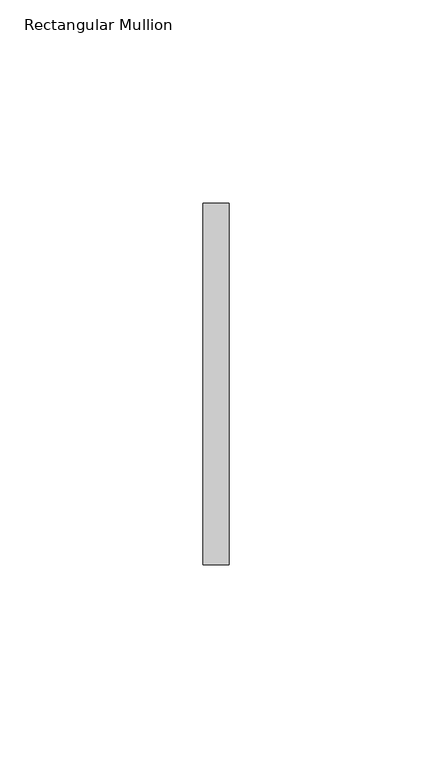
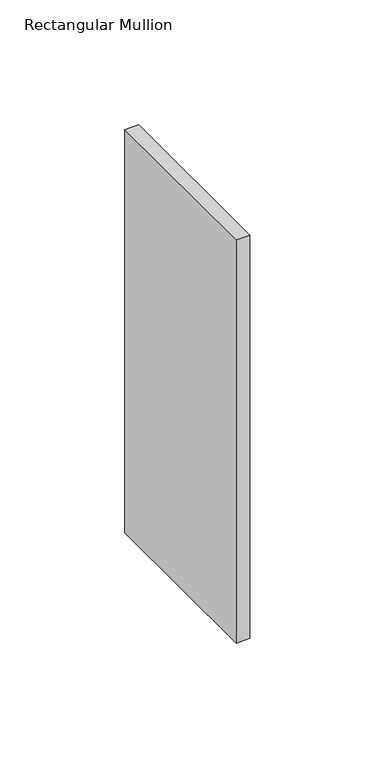
"""IFC4 building model written with IfcOpenShell, lengths in millimetres: member geometry, Rectangular Mullion."""

from ifc_helpers import new_model, si_unit, frame, origin, place, context, project, spatial, polyline, outline, extrude, source, transform, mapped, element, save


def rectangular_mullion_1f24161a(model_context):
    return source(origin(), model_context, "Body", "SweptSolid", [
        extrude(outline(polyline([(0.0, 44.45), (0.0, -44.45), (-6.35, -44.45), (-6.35, 44.45), (0.0, 44.45)])), frame((0.0, 0.0, -196.9165918), z_axis=(0.0, 0.0, 1.0), x_axis=(1.0, 0.0, 0.0)), (0.0, 0.0, 1.0), 196.9165918),
    ])


if __name__ == "__main__":
    model = new_model("IFC4")
    model_context = context("Model", 3, world=origin())
    ifc_project = project(units=[si_unit("LENGTHUNIT", "METRE", prefix="MILLI")], contexts=[model_context])
    site = spatial("IfcSite", under=ifc_project)
    building = spatial("IfcBuilding", under=site)
    placement = place(None, origin())
    rectangular_mullion_shape = rectangular_mullion_1f24161a(model_context)
    element("IfcMember", 1, ObjectType="Rectangular Mullion", at=placement, inside=building, context=model_context, shape_type="MappedRepresentation", body=[
        mapped(rectangular_mullion_shape, transform((0.0, 0.0, 0.0), x_axis=(1.0, 0.0, 0.0), y_axis=(0.0, 1.0, 0.0), z_axis=(0.0, 0.0, 1.0))),
    ])
    save(model, "model.ifc")
